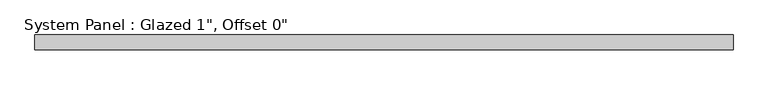
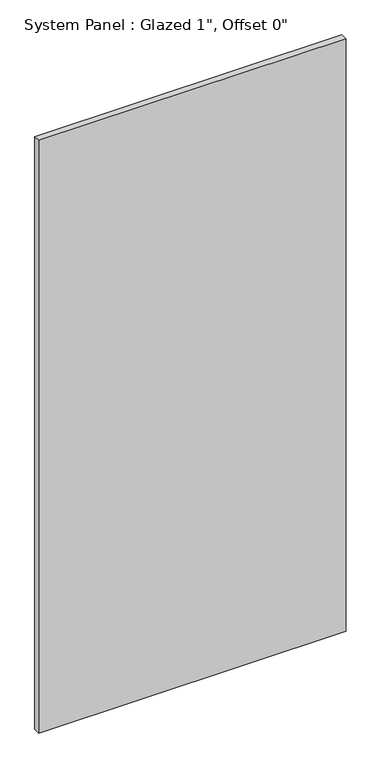
"""IFC4 building model written with IfcOpenShell, lengths in millimetres: plate geometry."""

import ifcopenshell
import ifcopenshell.guid

model = None  # the IFC model being written
_history = None  # IfcOwnerHistory: only IFC2X3 demands one
_inside = {}  # id of a spatial element -> (the spatial element, [elements in it])
_under = {}  # id of a project, library or spatial element -> (it, [spatial elements below it])
_declared = {}  # id of a project -> (the project, [libraries it declares])
_typed = {}  # id of a type object -> (the type object, [elements of that type])
_made_of = {}  # id of a material, layer set ... -> (it, [elements and type objects made of it])


def new_model(schema):
    """Start an empty IFC model of exactly this schema.

    Asked for "IFC4X3", IfcOpenShell would pick the latest addendum, in which some entities
    have other attributes; the version numbers below select the first issue.
    IFC2X3 requires an IfcOwnerHistory on every rooted entity: one is made here for all.
    """
    global model, _history
    if schema == "IFC4X3":
        model = ifcopenshell.file(schema_version=(4, 3, 0, 0))
    else:
        model = ifcopenshell.file(schema=schema)
    _inside.clear()
    _under.clear()
    _declared.clear()
    _typed.clear()
    _made_of.clear()
    _history = None
    if model.schema == "IFC2X3":
        org = make("IfcOrganization", Name="unknown")
        user = make(
            "IfcPersonAndOrganization",
            ThePerson=make("IfcPerson", FamilyName="unknown"),
            TheOrganization=org,
        )
        app = make(
            "IfcApplication",
            ApplicationDeveloper=org,
            Version="unknown",
            ApplicationFullName="unknown",
            ApplicationIdentifier="unknown",
        )
        _history = make(
            "IfcOwnerHistory",
            OwningUser=user,
            OwningApplication=app,
            ChangeAction="ADDED",
            CreationDate=0,
        )
    return model


def make(cls, **values):
    """One entity of the class cls with the attributes given. An attribute that is None is left unset."""
    return model.create_entity(
        cls, **{name: value for name, value in values.items() if value is not None}
    )


def rooted(cls, **values):
    """An entity with a GlobalId (a new one), such as an element, a storey or a relation."""
    return make(cls, GlobalId=ifcopenshell.guid.new(), OwnerHistory=_history, **values)


def si_unit(unit_type, name, prefix=None):
    """IfcSIUnit, for example si_unit("LENGTHUNIT", "METRE", prefix="MILLI")."""
    return make("IfcSIUnit", UnitType=unit_type, Prefix=prefix, Name=name)


def assignment(units):
    """IfcUnitAssignment: the units of a project."""
    return None if units is None else make("IfcUnitAssignment", Units=units)


def point(xyz):
    """IfcCartesianPoint."""
    return None if xyz is None else make("IfcCartesianPoint", Coordinates=xyz)


def direction(xyz):
    """IfcDirection."""
    return None if xyz is None else make("IfcDirection", DirectionRatios=xyz)


def frame(location, z_axis=None, x_axis=None):
    """IfcAxis2Placement3D, a coordinate frame: its origin and axes. An axis left out is left unset."""
    return make(
        "IfcAxis2Placement3D",
        Location=point(location),
        Axis=direction(z_axis),
        RefDirection=direction(x_axis),
    )


def origin():
    """The frame at (0, 0, 0) with its axes left unset."""
    return frame((0.0, 0.0, 0.0))


def origin_with_axes():
    """The frame at (0, 0, 0) with the z axis (0, 0, 1) and the x axis (1, 0, 0) written out."""
    return frame((0.0, 0.0, 0.0), z_axis=(0.0, 0.0, 1.0), x_axis=(1.0, 0.0, 0.0))


def place(relative_to, where):
    """IfcLocalPlacement: puts the frame where relative to a parent placement (None: the world)."""
    return make(
        "IfcLocalPlacement", PlacementRelTo=relative_to, RelativePlacement=where
    )


def context(
    kind, dimensions, precision=None, world=None, true_north=None, identifier=None
):
    """IfcGeometricRepresentationContext, for example the 3D "Model" context."""
    return make(
        "IfcGeometricRepresentationContext",
        ContextIdentifier=identifier,
        ContextType=kind,
        CoordinateSpaceDimension=dimensions,
        Precision=precision,
        WorldCoordinateSystem=world,
        TrueNorth=true_north,
    )


def project(units=None, contexts=None):
    """IfcProject with its units and contexts."""
    return rooted(
        "IfcProject",
        Name="project",
        RepresentationContexts=contexts,
        UnitsInContext=assignment(units),
    )


def spatial(cls, under=None, at=None, **own):
    """A site, building, storey or space (cls), placed at a placement, below another one or the project."""
    s = rooted(cls, ObjectPlacement=at, **own)
    if under is not None:
        _under.setdefault(under.id(), (under, []))[1].append(s)
    return s


def polyline(points):
    """IfcPolyline through the points."""
    return make("IfcPolyline", Points=[point(p) for p in points])


def outline(outer, holes=None, kind="AREA"):
    """IfcArbitraryClosedProfileDef: a profile drawn as a closed curve; with holes, ...WithVoids."""
    if holes is None:
        return make("IfcArbitraryClosedProfileDef", ProfileType=kind, OuterCurve=outer)
    return make(
        "IfcArbitraryProfileDefWithVoids",
        ProfileType=kind,
        OuterCurve=outer,
        InnerCurves=holes,
    )


def extrude(swept, where, along, depth):
    """IfcExtrudedAreaSolid: the profile swept, set in the frame where, extruded along a direction by depth."""
    return make(
        "IfcExtrudedAreaSolid",
        SweptArea=swept,
        Position=where,
        ExtrudedDirection=direction(along),
        Depth=depth,
    )


def shape(context_of_items, identifier, shape_type, items):
    """IfcShapeRepresentation: the items that make up one representation, for example the "Body"."""
    return make(
        "IfcShapeRepresentation",
        ContextOfItems=context_of_items,
        RepresentationIdentifier=identifier,
        RepresentationType=shape_type,
        Items=items,
    )


def source(mapping_origin, context_of_items, identifier, shape_type, items):
    """IfcRepresentationMap: a shape defined once, which mapped items show again and again."""
    return make(
        "IfcRepresentationMap",
        MappingOrigin=mapping_origin,
        MappedRepresentation=shape(context_of_items, identifier, shape_type, items),
    )


def transform(
    local_origin,
    x_axis=None,
    y_axis=None,
    z_axis=None,
    scale=None,
    scale2=None,
    scale3=None,
    uniform=True,
):
    """IfcCartesianTransformationOperator3D, or its non-uniform kind. x_axis, y_axis, z_axis: its Axis1, 2, 3."""
    if uniform:
        return make(
            "IfcCartesianTransformationOperator3D",
            Axis1=direction(x_axis),
            Axis2=direction(y_axis),
            LocalOrigin=point(local_origin),
            Scale=scale,
            Axis3=direction(z_axis),
        )
    return make(
        "IfcCartesianTransformationOperator3DnonUniform",
        Axis1=direction(x_axis),
        Axis2=direction(y_axis),
        LocalOrigin=point(local_origin),
        Scale=scale,
        Axis3=direction(z_axis),
        Scale2=scale2,
        Scale3=scale3,
    )


def mapped(mapping_source, mapping_target):
    """IfcMappedItem: shows the shape of a source again, moved by a transform."""
    return make(
        "IfcMappedItem", MappingSource=mapping_source, MappingTarget=mapping_target
    )


def made_of(thing, what):
    """Note that an element or type object is made of a material, layer set ...; save() writes the relation."""
    if what is not None:
        _made_of.setdefault(what.id(), (what, []))[1].append(thing)
    return thing


def element(
    cls,
    number,
    at=None,
    inside=None,
    cuts=None,
    type_object=None,
    material=None,
    context=None,
    identifier="Body",
    shape_type=None,
    held_by="IfcProductDefinitionShape",
    body=None,
    shapes=None,
    **own,
):
    """One element of the class cls, such as IfcWall. Its Tag is "e" and its number.

    at: its placement. inside: the storey or other place that contains it. cuts: it is an
    opening in that element (IfcRelVoidsElement). A single representation is given by context,
    identifier, shape_type and body (its items); several are given by shapes. held_by: the class
    of the entity that holds the representations. save() writes the other relations.
    """
    e = rooted(cls, Tag="e%d" % number, ObjectPlacement=at, **own)
    if body is not None:
        shapes = [shape(context, identifier, shape_type, body)]
    if shapes is not None:
        e.Representation = make(held_by, Representations=shapes)
    if inside is not None:
        _inside.setdefault(inside.id(), (inside, []))[1].append(e)
    if cuts is not None:
        rooted(
            "IfcRelVoidsElement", RelatingBuildingElement=cuts, RelatedOpeningElement=e
        )
    if type_object is not None:
        _typed.setdefault(type_object.id(), (type_object, []))[1].append(e)
    return made_of(e, material)


def aggregate(whole, parts):
    """IfcRelAggregates: a whole, such as a stair, and the parts it consists of."""
    return rooted("IfcRelAggregates", RelatingObject=whole, RelatedObjects=parts)


def save(model, path):
    """Write the relations noted so far, then the file.

    IfcRelAggregates (storeys below a building ...), IfcRelContainedInSpatialStructure (elements
    in a storey), IfcRelDefinesByType, IfcRelAssociatesMaterial and IfcRelDeclares: one each for
    every whole, place, type object, material and project.
    """
    for whole, parts in _under.values():
        aggregate(whole, parts)
    for where, things in _inside.values():
        rooted(
            "IfcRelContainedInSpatialStructure",
            RelatedElements=things,
            RelatingStructure=where,
        )
    for kind, things in _typed.values():
        rooted("IfcRelDefinesByType", RelatedObjects=things, RelatingType=kind)
    for what, things in _made_of.values():
        rooted("IfcRelAssociatesMaterial", RelatedObjects=things, RelatingMaterial=what)
    for by, libraries in _declared.values():
        rooted("IfcRelDeclares", RelatingContext=by, RelatedDefinitions=libraries)
    model.write(path)


def plate_2ee8c1b4(model_context):
    return source(origin(), model_context, "Body", "SweptSolid", [
        extrude(outline(polyline([(602.0943321, -12.7), (-602.0943321, -12.7), (-602.0943321, 12.7), (602.0943321, 12.7), (602.0943321, -12.7)])), origin_with_axes(), (0.0, 0.0, 1.0), 2453.2166667),
    ])


if __name__ == "__main__":
    model = new_model("IFC4")
    model_context = context("Model", 3, world=origin())
    ifc_project = project(units=[si_unit("LENGTHUNIT", "METRE", prefix="MILLI")], contexts=[model_context])
    site = spatial("IfcSite", under=ifc_project)
    building = spatial("IfcBuilding", under=site)
    placement = place(None, origin())
    plate_shape = plate_2ee8c1b4(model_context)
    element("IfcPlate", 1, ObjectType="System Panel : Glazed 1\", Offset 0\"", at=placement, inside=building, context=model_context, shape_type="MappedRepresentation", body=[
        mapped(plate_shape, transform((0.0, 0.0, 0.0), x_axis=(1.0, 0.0, 0.0), y_axis=(0.0, 1.0, 0.0), z_axis=(0.0, 0.0, 1.0))),
    ])
    save(model, "model.ifc")
